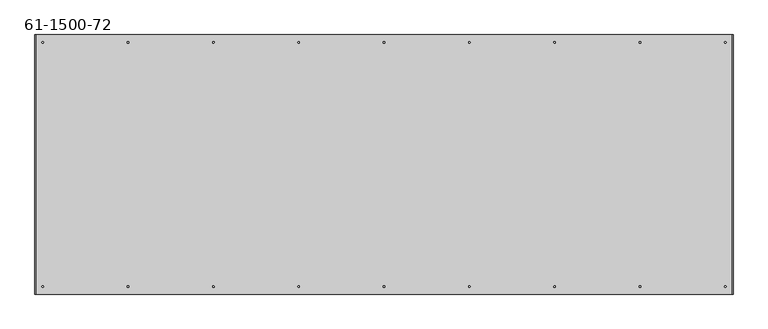
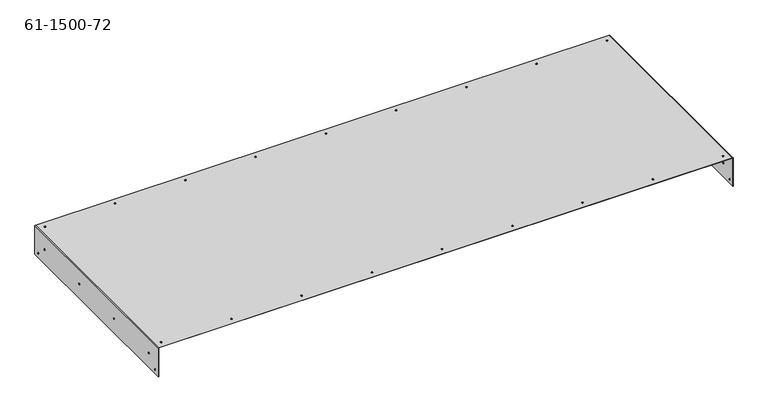
"""IFC4 building model written with IfcOpenShell, lengths in millimetres: proxy geometry, 61-1500-72."""

import ifcopenshell
import ifcopenshell.guid

model = None  # the IFC model being written
_history = None  # IfcOwnerHistory: only IFC2X3 demands one
_inside = {}  # id of a spatial element -> (the spatial element, [elements in it])
_under = {}  # id of a project, library or spatial element -> (it, [spatial elements below it])
_declared = {}  # id of a project -> (the project, [libraries it declares])
_typed = {}  # id of a type object -> (the type object, [elements of that type])
_made_of = {}  # id of a material, layer set ... -> (it, [elements and type objects made of it])


def new_model(schema):
    """Start an empty IFC model of exactly this schema.

    Asked for "IFC4X3", IfcOpenShell would pick the latest addendum, in which some entities
    have other attributes; the version numbers below select the first issue.
    IFC2X3 requires an IfcOwnerHistory on every rooted entity: one is made here for all.
    """
    global model, _history
    if schema == "IFC4X3":
        model = ifcopenshell.file(schema_version=(4, 3, 0, 0))
    else:
        model = ifcopenshell.file(schema=schema)
    _inside.clear()
    _under.clear()
    _declared.clear()
    _typed.clear()
    _made_of.clear()
    _history = None
    if model.schema == "IFC2X3":
        org = make("IfcOrganization", Name="unknown")
        user = make(
            "IfcPersonAndOrganization",
            ThePerson=make("IfcPerson", FamilyName="unknown"),
            TheOrganization=org,
        )
        app = make(
            "IfcApplication",
            ApplicationDeveloper=org,
            Version="unknown",
            ApplicationFullName="unknown",
            ApplicationIdentifier="unknown",
        )
        _history = make(
            "IfcOwnerHistory",
            OwningUser=user,
            OwningApplication=app,
            ChangeAction="ADDED",
            CreationDate=0,
        )
    return model


def make(cls, **values):
    """One entity of the class cls with the attributes given. An attribute that is None is left unset."""
    return model.create_entity(
        cls, **{name: value for name, value in values.items() if value is not None}
    )


def rooted(cls, **values):
    """An entity with a GlobalId (a new one), such as an element, a storey or a relation."""
    return make(cls, GlobalId=ifcopenshell.guid.new(), OwnerHistory=_history, **values)


def si_unit(unit_type, name, prefix=None):
    """IfcSIUnit, for example si_unit("LENGTHUNIT", "METRE", prefix="MILLI")."""
    return make("IfcSIUnit", UnitType=unit_type, Prefix=prefix, Name=name)


def assignment(units):
    """IfcUnitAssignment: the units of a project."""
    return None if units is None else make("IfcUnitAssignment", Units=units)


def point(xyz):
    """IfcCartesianPoint."""
    return None if xyz is None else make("IfcCartesianPoint", Coordinates=xyz)


def direction(xyz):
    """IfcDirection."""
    return None if xyz is None else make("IfcDirection", DirectionRatios=xyz)


def frame(location, z_axis=None, x_axis=None):
    """IfcAxis2Placement3D, a coordinate frame: its origin and axes. An axis left out is left unset."""
    return make(
        "IfcAxis2Placement3D",
        Location=point(location),
        Axis=direction(z_axis),
        RefDirection=direction(x_axis),
    )


def origin():
    """The frame at (0, 0, 0) with its axes left unset."""
    return frame((0.0, 0.0, 0.0))


def place(relative_to, where):
    """IfcLocalPlacement: puts the frame where relative to a parent placement (None: the world)."""
    return make(
        "IfcLocalPlacement", PlacementRelTo=relative_to, RelativePlacement=where
    )


def context(
    kind, dimensions, precision=None, world=None, true_north=None, identifier=None
):
    """IfcGeometricRepresentationContext, for example the 3D "Model" context."""
    return make(
        "IfcGeometricRepresentationContext",
        ContextIdentifier=identifier,
        ContextType=kind,
        CoordinateSpaceDimension=dimensions,
        Precision=precision,
        WorldCoordinateSystem=world,
        TrueNorth=true_north,
    )


def project(units=None, contexts=None):
    """IfcProject with its units and contexts."""
    return rooted(
        "IfcProject",
        Name="project",
        RepresentationContexts=contexts,
        UnitsInContext=assignment(units),
    )


def spatial(cls, under=None, at=None, **own):
    """A site, building, storey or space (cls), placed at a placement, below another one or the project."""
    s = rooted(cls, ObjectPlacement=at, **own)
    if under is not None:
        _under.setdefault(under.id(), (under, []))[1].append(s)
    return s


def polyline(points):
    """IfcPolyline through the points."""
    return make("IfcPolyline", Points=[point(p) for p in points])


def circle_curve(where, radius):
    """IfcCircle in the frame where."""
    return make("IfcCircle", Position=where, Radius=radius)


def shape(context_of_items, identifier, shape_type, items):
    """IfcShapeRepresentation: the items that make up one representation, for example the "Body"."""
    return make(
        "IfcShapeRepresentation",
        ContextOfItems=context_of_items,
        RepresentationIdentifier=identifier,
        RepresentationType=shape_type,
        Items=items,
    )


def source(mapping_origin, context_of_items, identifier, shape_type, items):
    """IfcRepresentationMap: a shape defined once, which mapped items show again and again."""
    return make(
        "IfcRepresentationMap",
        MappingOrigin=mapping_origin,
        MappedRepresentation=shape(context_of_items, identifier, shape_type, items),
    )


def transform(
    local_origin,
    x_axis=None,
    y_axis=None,
    z_axis=None,
    scale=None,
    scale2=None,
    scale3=None,
    uniform=True,
):
    """IfcCartesianTransformationOperator3D, or its non-uniform kind. x_axis, y_axis, z_axis: its Axis1, 2, 3."""
    if uniform:
        return make(
            "IfcCartesianTransformationOperator3D",
            Axis1=direction(x_axis),
            Axis2=direction(y_axis),
            LocalOrigin=point(local_origin),
            Scale=scale,
            Axis3=direction(z_axis),
        )
    return make(
        "IfcCartesianTransformationOperator3DnonUniform",
        Axis1=direction(x_axis),
        Axis2=direction(y_axis),
        LocalOrigin=point(local_origin),
        Scale=scale,
        Axis3=direction(z_axis),
        Scale2=scale2,
        Scale3=scale3,
    )


def mapped(mapping_source, mapping_target):
    """IfcMappedItem: shows the shape of a source again, moved by a transform."""
    return make(
        "IfcMappedItem", MappingSource=mapping_source, MappingTarget=mapping_target
    )


def made_of(thing, what):
    """Note that an element or type object is made of a material, layer set ...; save() writes the relation."""
    if what is not None:
        _made_of.setdefault(what.id(), (what, []))[1].append(thing)
    return thing


def element(
    cls,
    number,
    at=None,
    inside=None,
    cuts=None,
    type_object=None,
    material=None,
    context=None,
    identifier="Body",
    shape_type=None,
    held_by="IfcProductDefinitionShape",
    body=None,
    shapes=None,
    **own,
):
    """One element of the class cls, such as IfcWall. Its Tag is "e" and its number.

    at: its placement. inside: the storey or other place that contains it. cuts: it is an
    opening in that element (IfcRelVoidsElement). A single representation is given by context,
    identifier, shape_type and body (its items); several are given by shapes. held_by: the class
    of the entity that holds the representations. save() writes the other relations.
    """
    e = rooted(cls, Tag="e%d" % number, ObjectPlacement=at, **own)
    if body is not None:
        shapes = [shape(context, identifier, shape_type, body)]
    if shapes is not None:
        e.Representation = make(held_by, Representations=shapes)
    if inside is not None:
        _inside.setdefault(inside.id(), (inside, []))[1].append(e)
    if cuts is not None:
        rooted(
            "IfcRelVoidsElement", RelatingBuildingElement=cuts, RelatedOpeningElement=e
        )
    if type_object is not None:
        _typed.setdefault(type_object.id(), (type_object, []))[1].append(e)
    return made_of(e, material)


def aggregate(whole, parts):
    """IfcRelAggregates: a whole, such as a stair, and the parts it consists of."""
    return rooted("IfcRelAggregates", RelatingObject=whole, RelatedObjects=parts)


def save(model, path):
    """Write the relations noted so far, then the file.

    IfcRelAggregates (storeys below a building ...), IfcRelContainedInSpatialStructure (elements
    in a storey), IfcRelDefinesByType, IfcRelAssociatesMaterial and IfcRelDeclares: one each for
    every whole, place, type object, material and project.
    """
    for whole, parts in _under.values():
        aggregate(whole, parts)
    for where, things in _inside.values():
        rooted(
            "IfcRelContainedInSpatialStructure",
            RelatedElements=things,
            RelatingStructure=where,
        )
    for kind, things in _typed.values():
        rooted("IfcRelDefinesByType", RelatedObjects=things, RelatingType=kind)
    for what, things in _made_of.values():
        rooted("IfcRelAssociatesMaterial", RelatedObjects=things, RelatingMaterial=what)
    for by, libraries in _declared.values():
        rooted("IfcRelDeclares", RelatingContext=by, RelatedDefinitions=libraries)
    model.write(path)


def plane_surface(at):
    """IfcPlane: the flat surface through the origin of the frame at, square to its z axis."""
    return make("IfcPlane", Position=at)


def cylinder_surface(at, radius):
    """IfcCylindricalSurface: all points at the distance radius from the z axis of the frame at."""
    return make("IfcCylindricalSurface", Position=at, Radius=radius)


def revolved_surface(curve, axis_point, axis_direction):
    """IfcSurfaceOfRevolution: the curve turned about the line through axis_point along axis_direction."""
    return make(
        "IfcSurfaceOfRevolution",
        SweptCurve=make("IfcArbitraryOpenProfileDef", ProfileType="CURVE", Curve=curve),
        AxisPosition=make("IfcAxis1Placement", Location=point(axis_point), Axis=direction(axis_direction)),
    )


def advanced_brep(points, edges, surfaces, faces):
    """IfcAdvancedBrep: a solid bounded by faces that lie on surfaces and meet in shared edges.

    An edge is (start, end): straight between two places in points (the first is 0);
    or (start, end, curve); or (start, end, curve, False) where it runs against its curve.
    A face is (place in surfaces, loops), or (place, loops, False) where it looks against
    its surface's normal. A loop lists edges by number (the first is 1), with a minus sign
    where the edge is run from its end to its start. The first loop is the outer one.
    """
    corners = [point(p) for p in points]
    vertices = [make("IfcVertexPoint", VertexGeometry=c) for c in corners]
    made = []
    for start, end, *more in edges:
        made.append(
            make(
                "IfcEdgeCurve",
                EdgeStart=vertices[start],
                EdgeEnd=vertices[end],
                EdgeGeometry=more[0] if more else make("IfcPolyline", Points=[corners[start], corners[end]]),
                SameSense=more[1] if len(more) > 1 else True,
            )
        )
    hull = []
    for where, loops, *sense in faces:
        bounds = []
        for j, loop in enumerate(loops):
            ring = [make("IfcOrientedEdge", EdgeElement=made[abs(k) - 1], Orientation=k > 0) for k in loop]
            bounds.append(
                make(
                    "IfcFaceOuterBound" if j == 0 else "IfcFaceBound",
                    Bound=make("IfcEdgeLoop", EdgeList=ring),
                    Orientation=True,
                )
            )
        hull.append(make("IfcAdvancedFace", Bounds=bounds, FaceSurface=surfaces[where], SameSense=sense[0] if sense else True))
    return make("IfcAdvancedBrep", Outer=make("IfcClosedShell", CfsFaces=hull))


def proxy_61_1500_72_496c5f3e(model_context):
    return source(origin(), model_context, "Body", "AdvancedBrep", [
        advanced_brep(
        [(17.07388, -15.63624, 0.0), (17.07388, -15.63624, 0.85344), (13.64488, -15.63624, 0.85344), (13.64488, -15.63624, 0.0), (194.87388, -15.63624, 0.0), (194.87388, -15.63624, 0.85344), (191.44488, -15.63624, 0.85344), (191.44488, -15.63624, 0.0), (372.67388, -15.63624, 0.0), (372.67388, -15.63624, 0.85344), (369.24488, -15.63624, 0.85344), (369.24488, -15.63624, 0.0), (550.47388, -15.63624, 0.0), (550.47388, -15.63624, 0.85344), (547.04488, -15.63624, 0.85344), (547.04488, -15.63624, 0.0), (728.27388, -15.63624, 0.0), (728.27388, -15.63624, 0.85344), (724.84488, -15.63624, 0.85344), (724.84488, -15.63624, 0.0), (906.07388, -15.63624, 0.0), (906.07388, -15.63624, 0.85344), (902.64488, -15.63624, 0.85344), (902.64488, -15.63624, 0.0), (1083.87388, -15.63624, 0.0), (1083.87388, -15.63624, 0.85344), (1080.44488, -15.63624, 0.85344), (1080.44488, -15.63624, 0.0), (1261.67388, -15.63624, 0.0), (1261.67388, -15.63624, 0.85344), (1258.24488, -15.63624, 0.85344), (1258.24488, -15.63624, 0.0), (1439.47388, -15.63624, 0.0), (1439.47388, -15.63624, 0.85344), (1436.04488, -15.63624, 0.85344), (1436.04488, -15.63624, 0.0), (1439.47388, -525.34312, 0.0), (1439.47388, -525.34312, 0.85344), (1436.04488, -525.34312, 0.85344), (1436.04488, -525.34312, 0.0), (1261.67388, -525.34312, 0.0), (1261.67388, -525.34312, 0.85344), (1258.24488, -525.34312, 0.85344), (1258.24488, -525.34312, 0.0), (1083.87388, -525.34312, 0.0), (1083.87388, -525.34312, 0.85344), (1080.44488, -525.34312, 0.85344), (1080.44488, -525.34312, 0.0), (906.07388, -525.34312, 0.0), (906.07388, -525.34312, 0.85344), (902.64488, -525.34312, 0.85344), (902.64488, -525.34312, 0.0), (728.27388, -525.34312, 0.0), (728.27388, -525.34312, 0.85344), (724.84488, -525.34312, 0.85344), (724.84488, -525.34312, 0.0), (550.47388, -525.34312, 0.0), (550.47388, -525.34312, 0.85344), (547.04488, -525.34312, 0.85344), (547.04488, -525.34312, 0.0), (372.67388, -525.34312, 0.0), (372.67388, -525.34312, 0.85344), (369.24488, -525.34312, 0.85344), (369.24488, -525.34312, 0.0), (194.87388, -525.34312, 0.0), (194.87388, -525.34312, 0.85344), (191.44488, -525.34312, 0.85344), (191.44488, -525.34312, 0.0), (17.07388, -525.34312, 0.0), (17.07388, -525.34312, 0.85344), (13.64488, -525.34312, 0.85344), (13.64488, -525.34312, 0.0), (-0.85344, -41.88968, -40.28948), (0.0, -41.88968, -40.28948), (0.0, -41.88968, -36.86048), (-0.85344, -41.88968, -36.86048), (1453.11876, -41.88968, -40.28948), (1453.9722, -41.88968, -40.28948), (1453.9722, -41.88968, -36.86048), (1453.11876, -41.88968, -36.86048), (-0.85344, -346.68968, -40.28948), (0.0, -346.68968, -40.28948), (0.0, -346.68968, -36.86048), (-0.85344, -346.68968, -36.86048), (1453.11876, -346.68968, -40.28948), (1453.9722, -346.68968, -40.28948), (1453.9722, -346.68968, -36.86048), (1453.11876, -346.68968, -36.86048), (-0.85344, -499.08968, -40.28948), (0.0, -499.08968, -40.28948), (0.0, -499.08968, -36.86048), (-0.85344, -499.08968, -36.86048), (1453.11876, -499.08968, -40.28948), (1453.9722, -499.08968, -40.28948), (1453.9722, -499.08968, -36.86048), (1453.11876, -499.08968, -36.86048), (-0.85344, -194.28968, -40.28948), (0.0, -194.28968, -40.28948), (0.0, -194.28968, -36.86048), (-0.85344, -194.28968, -36.86048), (1453.11876, -194.28968, -40.28948), (1453.9722, -194.28968, -40.28948), (1453.9722, -194.28968, -36.86048), (1453.11876, -194.28968, -36.86048), (-0.85344, -14.16812, -67.39636), (0.0, -14.16812, -67.39636), (0.0, -14.16812, -63.96736), (-0.85344, -14.16812, -63.96736), (1453.11876, -14.16812, -67.39636), (1453.9722, -14.16812, -67.39636), (1453.9722, -14.16812, -63.96736), (1453.11876, -14.16812, -63.96736), (-0.85344, -526.81124, -67.39636), (0.0, -526.81124, -67.39636), (0.0, -526.81124, -63.96736), (-0.85344, -526.81124, -63.96736), (1453.11876, -526.81124, -67.39636), (1453.9722, -526.81124, -67.39636), (1453.9722, -526.81124, -63.96736), (1453.11876, -526.81124, -63.96736), (1453.9722, -540.97936, -0.85344), (1453.9722, 0.0, -0.85344), (1452.26532, 0.0, 0.85344), (1452.26532, -540.97936, 0.85344), (1453.11876, 0.0, -0.85344), (1453.11876, -540.97936, -0.85344), (1452.26532, -540.97936, 0.0), (1452.26532, 0.0, 0.0), (0.85344, -540.97936, 0.0), (0.85344, 0.0, 0.0), (-0.85344, 0.0, -0.85344), (-0.85344, -540.97936, -0.85344), (0.85344, -540.97936, 0.85344), (0.85344, 0.0, 0.85344), (0.0, -540.97936, -0.85344), (0.0, 0.0, -0.85344), (0.0, -540.97936, -76.2), (0.0, 0.0, -76.2), (-0.85344, -540.97936, -76.2), (-0.85344, 0.0, -76.2), (1453.11876, -540.97936, -76.2), (1453.9722, -540.97936, -76.2), (1453.11876, 0.0, -76.2), (1453.9722, 0.0, -76.2)],
        [
            (0, 1),
            (1, 2, circle_curve(frame((15.35938, -15.63624, 0.85344), z_axis=(0.0, 0.0, 1.0), x_axis=(1.0, 0.0, 0.0)), 1.7145)),
            (2, 3),
            (3, 0, circle_curve(frame((15.35938, -15.63624, 0.0), z_axis=(0.0, 0.0, -1.0), x_axis=(1.0, 0.0, 0.0)), 1.7145)),
            (4, 5),
            (5, 6, circle_curve(frame((193.15938, -15.63624, 0.85344), z_axis=(0.0, 0.0, 1.0), x_axis=(1.0, 0.0, 0.0)), 1.7145)),
            (6, 7),
            (7, 4, circle_curve(frame((193.15938, -15.63624, 0.0), z_axis=(0.0, 0.0, -1.0), x_axis=(1.0, 0.0, 0.0)), 1.7145)),
            (8, 9),
            (9, 10, circle_curve(frame((370.95938, -15.63624, 0.85344), z_axis=(0.0, 0.0, 1.0), x_axis=(1.0, 0.0, 0.0)), 1.7145)),
            (10, 11),
            (11, 8, circle_curve(frame((370.95938, -15.63624, 0.0), z_axis=(0.0, 0.0, -1.0), x_axis=(1.0, 0.0, 0.0)), 1.7145)),
            (12, 13),
            (13, 14, circle_curve(frame((548.75938, -15.63624, 0.85344), z_axis=(0.0, 0.0, 1.0), x_axis=(1.0, 0.0, 0.0)), 1.7145)),
            (14, 15),
            (15, 12, circle_curve(frame((548.75938, -15.63624, 0.0), z_axis=(0.0, 0.0, -1.0), x_axis=(1.0, 0.0, 0.0)), 1.7145)),
            (16, 17),
            (17, 18, circle_curve(frame((726.55938, -15.63624, 0.85344), z_axis=(0.0, 0.0, 1.0), x_axis=(1.0, 0.0, 0.0)), 1.7145)),
            (18, 19),
            (19, 16, circle_curve(frame((726.55938, -15.63624, 0.0), z_axis=(0.0, 0.0, -1.0), x_axis=(1.0, 0.0, 0.0)), 1.7145)),
            (20, 21),
            (21, 22, circle_curve(frame((904.35938, -15.63624, 0.85344), z_axis=(0.0, 0.0, 1.0), x_axis=(1.0, 0.0, 0.0)), 1.7145)),
            (22, 23),
            (23, 20, circle_curve(frame((904.35938, -15.63624, 0.0), z_axis=(0.0, 0.0, -1.0), x_axis=(1.0, 0.0, 0.0)), 1.7145)),
            (24, 25),
            (25, 26, circle_curve(frame((1082.15938, -15.63624, 0.85344), z_axis=(0.0, 0.0, 1.0), x_axis=(1.0, 0.0, 0.0)), 1.7145)),
            (26, 27),
            (27, 24, circle_curve(frame((1082.15938, -15.63624, 0.0), z_axis=(0.0, 0.0, -1.0), x_axis=(1.0, 0.0, 0.0)), 1.7145)),
            (28, 29),
            (29, 30, circle_curve(frame((1259.95938, -15.63624, 0.85344), z_axis=(0.0, 0.0, 1.0), x_axis=(1.0, 0.0, 0.0)), 1.7145)),
            (30, 31),
            (31, 28, circle_curve(frame((1259.95938, -15.63624, 0.0), z_axis=(0.0, 0.0, -1.0), x_axis=(1.0, 0.0, 0.0)), 1.7145)),
            (32, 33),
            (33, 34, circle_curve(frame((1437.75938, -15.63624, 0.85344), z_axis=(0.0, 0.0, 1.0), x_axis=(1.0, 0.0, 0.0)), 1.7145)),
            (34, 35),
            (35, 32, circle_curve(frame((1437.75938, -15.63624, 0.0), z_axis=(0.0, 0.0, -1.0), x_axis=(1.0, 0.0, 0.0)), 1.7145)),
            (36, 37),
            (37, 38, circle_curve(frame((1437.75938, -525.34312, 0.85344), z_axis=(0.0, 0.0, 1.0), x_axis=(1.0, 0.0, 0.0)), 1.7145)),
            (38, 39),
            (39, 36, circle_curve(frame((1437.75938, -525.34312, 0.0), z_axis=(0.0, 0.0, -1.0), x_axis=(1.0, 0.0, 0.0)), 1.7145)),
            (40, 41),
            (41, 42, circle_curve(frame((1259.95938, -525.34312, 0.85344), z_axis=(0.0, 0.0, 1.0), x_axis=(1.0, 0.0, 0.0)), 1.7145)),
            (42, 43),
            (43, 40, circle_curve(frame((1259.95938, -525.34312, 0.0), z_axis=(0.0, 0.0, -1.0), x_axis=(1.0, 0.0, 0.0)), 1.7145)),
            (44, 45),
            (45, 46, circle_curve(frame((1082.15938, -525.34312, 0.85344), z_axis=(0.0, 0.0, 1.0), x_axis=(1.0, 0.0, 0.0)), 1.7145)),
            (46, 47),
            (47, 44, circle_curve(frame((1082.15938, -525.34312, 0.0), z_axis=(0.0, 0.0, -1.0), x_axis=(1.0, 0.0, 0.0)), 1.7145)),
            (48, 49),
            (49, 50, circle_curve(frame((904.35938, -525.34312, 0.85344), z_axis=(0.0, 0.0, 1.0), x_axis=(1.0, 0.0, 0.0)), 1.7145)),
            (50, 51),
            (51, 48, circle_curve(frame((904.35938, -525.34312, 0.0), z_axis=(0.0, 0.0, -1.0), x_axis=(1.0, 0.0, 0.0)), 1.7145)),
            (52, 53),
            (53, 54, circle_curve(frame((726.55938, -525.34312, 0.85344), z_axis=(0.0, 0.0, 1.0), x_axis=(1.0, 0.0, 0.0)), 1.7145)),
            (54, 55),
            (55, 52, circle_curve(frame((726.55938, -525.34312, 0.0), z_axis=(0.0, 0.0, -1.0), x_axis=(1.0, 0.0, 0.0)), 1.7145)),
            (56, 57),
            (57, 58, circle_curve(frame((548.75938, -525.34312, 0.85344), z_axis=(0.0, 0.0, 1.0), x_axis=(1.0, 0.0, 0.0)), 1.7145)),
            (58, 59),
            (59, 56, circle_curve(frame((548.75938, -525.34312, 0.0), z_axis=(0.0, 0.0, -1.0), x_axis=(1.0, 0.0, 0.0)), 1.7145)),
            (60, 61),
            (61, 62, circle_curve(frame((370.95938, -525.34312, 0.85344), z_axis=(0.0, 0.0, 1.0), x_axis=(1.0, 0.0, 0.0)), 1.7145)),
            (62, 63),
            (63, 60, circle_curve(frame((370.95938, -525.34312, 0.0), z_axis=(0.0, 0.0, -1.0), x_axis=(1.0, 0.0, 0.0)), 1.7145)),
            (64, 65),
            (65, 66, circle_curve(frame((193.15938, -525.34312, 0.85344), z_axis=(0.0, 0.0, 1.0), x_axis=(1.0, 0.0, 0.0)), 1.7145)),
            (66, 67),
            (67, 64, circle_curve(frame((193.15938, -525.34312, 0.0), z_axis=(0.0, 0.0, -1.0), x_axis=(1.0, 0.0, 0.0)), 1.7145)),
            (68, 69),
            (69, 70, circle_curve(frame((15.35938, -525.34312, 0.85344), z_axis=(0.0, 0.0, 1.0), x_axis=(1.0, 0.0, 0.0)), 1.7145)),
            (70, 71),
            (71, 68, circle_curve(frame((15.35938, -525.34312, 0.0), z_axis=(0.0, 0.0, -1.0), x_axis=(1.0, 0.0, 0.0)), 1.7145)),
            (72, 73),
            (73, 74, circle_curve(frame((0.0, -41.88968, -38.57498), z_axis=(1.0, 0.0, 0.0), x_axis=(0.0, 0.0, -1.0)), 1.7145)),
            (74, 75),
            (75, 72, circle_curve(frame((-0.85344, -41.88968, -38.57498), z_axis=(-1.0, 0.0, 0.0), x_axis=(0.0, 0.0, -1.0)), 1.7145)),
            (76, 77),
            (77, 78, circle_curve(frame((1453.9722, -41.88968, -38.57498), z_axis=(1.0, 0.0, 0.0), x_axis=(0.0, 0.0, -1.0)), 1.7145)),
            (78, 79),
            (79, 76, circle_curve(frame((1453.11876, -41.88968, -38.57498), z_axis=(-1.0, 0.0, 0.0), x_axis=(0.0, 0.0, -1.0)), 1.7145)),
            (80, 81),
            (81, 82, circle_curve(frame((0.0, -346.68968, -38.57498), z_axis=(1.0, 0.0, 0.0), x_axis=(0.0, 0.0, -1.0)), 1.7145)),
            (82, 83),
            (83, 80, circle_curve(frame((-0.85344, -346.68968, -38.57498), z_axis=(-1.0, 0.0, 0.0), x_axis=(0.0, 0.0, -1.0)), 1.7145)),
            (84, 85),
            (85, 86, circle_curve(frame((1453.9722, -346.68968, -38.57498), z_axis=(1.0, 0.0, 0.0), x_axis=(0.0, 0.0, -1.0)), 1.7145)),
            (86, 87),
            (87, 84, circle_curve(frame((1453.11876, -346.68968, -38.57498), z_axis=(-1.0, 0.0, 0.0), x_axis=(0.0, 0.0, -1.0)), 1.7145)),
            (88, 89),
            (89, 90, circle_curve(frame((0.0, -499.08968, -38.57498), z_axis=(1.0, 0.0, 0.0), x_axis=(0.0, 0.0, -1.0)), 1.7145)),
            (90, 91),
            (91, 88, circle_curve(frame((-0.85344, -499.08968, -38.57498), z_axis=(-1.0, 0.0, 0.0), x_axis=(0.0, 0.0, -1.0)), 1.7145)),
            (92, 93),
            (93, 94, circle_curve(frame((1453.9722, -499.08968, -38.57498), z_axis=(1.0, 0.0, 0.0), x_axis=(0.0, 0.0, -1.0)), 1.7145)),
            (94, 95),
            (95, 92, circle_curve(frame((1453.11876, -499.08968, -38.57498), z_axis=(-1.0, 0.0, 0.0), x_axis=(0.0, 0.0, -1.0)), 1.7145)),
            (96, 97),
            (97, 98, circle_curve(frame((0.0, -194.28968, -38.57498), z_axis=(1.0, 0.0, 0.0), x_axis=(0.0, 0.0, -1.0)), 1.7145)),
            (98, 99),
            (99, 96, circle_curve(frame((-0.85344, -194.28968, -38.57498), z_axis=(-1.0, 0.0, 0.0), x_axis=(0.0, 0.0, -1.0)), 1.7145)),
            (100, 101),
            (101, 102, circle_curve(frame((1453.9722, -194.28968, -38.57498), z_axis=(1.0, 0.0, 0.0), x_axis=(0.0, 0.0, -1.0)), 1.7145)),
            (102, 103),
            (103, 100, circle_curve(frame((1453.11876, -194.28968, -38.57498), z_axis=(-1.0, 0.0, 0.0), x_axis=(0.0, 0.0, -1.0)), 1.7145)),
            (104, 105),
            (105, 106, circle_curve(frame((0.0, -14.16812, -65.68186), z_axis=(1.0, 0.0, 0.0), x_axis=(0.0, 0.0, -1.0)), 1.7145)),
            (106, 107),
            (107, 104, circle_curve(frame((-0.85344, -14.16812, -65.68186), z_axis=(-1.0, 0.0, 0.0), x_axis=(0.0, 0.0, -1.0)), 1.7145)),
            (108, 109),
            (109, 110, circle_curve(frame((1453.9722, -14.16812, -65.68186), z_axis=(1.0, 0.0, 0.0), x_axis=(0.0, 0.0, -1.0)), 1.7145)),
            (110, 111),
            (111, 108, circle_curve(frame((1453.11876, -14.16812, -65.68186), z_axis=(-1.0, 0.0, 0.0), x_axis=(0.0, 0.0, -1.0)), 1.7145)),
            (112, 113),
            (113, 114, circle_curve(frame((0.0, -526.81124, -65.68186), z_axis=(1.0, 0.0, 0.0), x_axis=(0.0, 0.0, -1.0)), 1.7145)),
            (114, 115),
            (115, 112, circle_curve(frame((-0.85344, -526.81124, -65.68186), z_axis=(-1.0, 0.0, 0.0), x_axis=(0.0, 0.0, -1.0)), 1.7145)),
            (116, 117),
            (117, 118, circle_curve(frame((1453.9722, -526.81124, -65.68186), z_axis=(1.0, 0.0, 0.0), x_axis=(0.0, 0.0, -1.0)), 1.7145)),
            (118, 119),
            (119, 116, circle_curve(frame((1453.11876, -526.81124, -65.68186), z_axis=(-1.0, 0.0, 0.0), x_axis=(0.0, 0.0, -1.0)), 1.7145)),
            (116, 119, circle_curve(frame((1453.11876, -526.81124, -65.68186), z_axis=(-1.0, 0.0, 0.0), x_axis=(0.0, 0.0, -1.0)), 1.7145)),
            (118, 117, circle_curve(frame((1453.9722, -526.81124, -65.68186), z_axis=(1.0, 0.0, 0.0), x_axis=(0.0, 0.0, -1.0)), 1.7145)),
            (112, 115, circle_curve(frame((-0.85344, -526.81124, -65.68186), z_axis=(-1.0, 0.0, 0.0), x_axis=(0.0, 0.0, -1.0)), 1.7145)),
            (114, 113, circle_curve(frame((0.0, -526.81124, -65.68186), z_axis=(1.0, 0.0, 0.0), x_axis=(0.0, 0.0, -1.0)), 1.7145)),
            (108, 111, circle_curve(frame((1453.11876, -14.16812, -65.68186), z_axis=(-1.0, 0.0, 0.0), x_axis=(0.0, 0.0, -1.0)), 1.7145)),
            (110, 109, circle_curve(frame((1453.9722, -14.16812, -65.68186), z_axis=(1.0, 0.0, 0.0), x_axis=(0.0, 0.0, -1.0)), 1.7145)),
            (104, 107, circle_curve(frame((-0.85344, -14.16812, -65.68186), z_axis=(-1.0, 0.0, 0.0), x_axis=(0.0, 0.0, -1.0)), 1.7145)),
            (106, 105, circle_curve(frame((0.0, -14.16812, -65.68186), z_axis=(1.0, 0.0, 0.0), x_axis=(0.0, 0.0, -1.0)), 1.7145)),
            (100, 103, circle_curve(frame((1453.11876, -194.28968, -38.57498), z_axis=(-1.0, 0.0, 0.0), x_axis=(0.0, 0.0, -1.0)), 1.7145)),
            (102, 101, circle_curve(frame((1453.9722, -194.28968, -38.57498), z_axis=(1.0, 0.0, 0.0), x_axis=(0.0, 0.0, -1.0)), 1.7145)),
            (96, 99, circle_curve(frame((-0.85344, -194.28968, -38.57498), z_axis=(-1.0, 0.0, 0.0), x_axis=(0.0, 0.0, -1.0)), 1.7145)),
            (98, 97, circle_curve(frame((0.0, -194.28968, -38.57498), z_axis=(1.0, 0.0, 0.0), x_axis=(0.0, 0.0, -1.0)), 1.7145)),
            (92, 95, circle_curve(frame((1453.11876, -499.08968, -38.57498), z_axis=(-1.0, 0.0, 0.0), x_axis=(0.0, 0.0, -1.0)), 1.7145)),
            (94, 93, circle_curve(frame((1453.9722, -499.08968, -38.57498), z_axis=(1.0, 0.0, 0.0), x_axis=(0.0, 0.0, -1.0)), 1.7145)),
            (88, 91, circle_curve(frame((-0.85344, -499.08968, -38.57498), z_axis=(-1.0, 0.0, 0.0), x_axis=(0.0, 0.0, -1.0)), 1.7145)),
            (90, 89, circle_curve(frame((0.0, -499.08968, -38.57498), z_axis=(1.0, 0.0, 0.0), x_axis=(0.0, 0.0, -1.0)), 1.7145)),
            (84, 87, circle_curve(frame((1453.11876, -346.68968, -38.57498), z_axis=(-1.0, 0.0, 0.0), x_axis=(0.0, 0.0, -1.0)), 1.7145)),
            (86, 85, circle_curve(frame((1453.9722, -346.68968, -38.57498), z_axis=(1.0, 0.0, 0.0), x_axis=(0.0, 0.0, -1.0)), 1.7145)),
            (80, 83, circle_curve(frame((-0.85344, -346.68968, -38.57498), z_axis=(-1.0, 0.0, 0.0), x_axis=(0.0, 0.0, -1.0)), 1.7145)),
            (82, 81, circle_curve(frame((0.0, -346.68968, -38.57498), z_axis=(1.0, 0.0, 0.0), x_axis=(0.0, 0.0, -1.0)), 1.7145)),
            (76, 79, circle_curve(frame((1453.11876, -41.88968, -38.57498), z_axis=(-1.0, 0.0, 0.0), x_axis=(0.0, 0.0, -1.0)), 1.7145)),
            (78, 77, circle_curve(frame((1453.9722, -41.88968, -38.57498), z_axis=(1.0, 0.0, 0.0), x_axis=(0.0, 0.0, -1.0)), 1.7145)),
            (72, 75, circle_curve(frame((-0.85344, -41.88968, -38.57498), z_axis=(-1.0, 0.0, 0.0), x_axis=(0.0, 0.0, -1.0)), 1.7145)),
            (74, 73, circle_curve(frame((0.0, -41.88968, -38.57498), z_axis=(1.0, 0.0, 0.0), x_axis=(0.0, 0.0, -1.0)), 1.7145)),
            (68, 71, circle_curve(frame((15.35938, -525.34312, 0.0), z_axis=(0.0, 0.0, -1.0), x_axis=(1.0, 0.0, 0.0)), 1.7145)),
            (70, 69, circle_curve(frame((15.35938, -525.34312, 0.85344), z_axis=(0.0, 0.0, 1.0), x_axis=(1.0, 0.0, 0.0)), 1.7145)),
            (64, 67, circle_curve(frame((193.15938, -525.34312, 0.0), z_axis=(0.0, 0.0, -1.0), x_axis=(1.0, 0.0, 0.0)), 1.7145)),
            (66, 65, circle_curve(frame((193.15938, -525.34312, 0.85344), z_axis=(0.0, 0.0, 1.0), x_axis=(1.0, 0.0, 0.0)), 1.7145)),
            (60, 63, circle_curve(frame((370.95938, -525.34312, 0.0), z_axis=(0.0, 0.0, -1.0), x_axis=(1.0, 0.0, 0.0)), 1.7145)),
            (62, 61, circle_curve(frame((370.95938, -525.34312, 0.85344), z_axis=(0.0, 0.0, 1.0), x_axis=(1.0, 0.0, 0.0)), 1.7145)),
            (56, 59, circle_curve(frame((548.75938, -525.34312, 0.0), z_axis=(0.0, 0.0, -1.0), x_axis=(1.0, 0.0, 0.0)), 1.7145)),
            (58, 57, circle_curve(frame((548.75938, -525.34312, 0.85344), z_axis=(0.0, 0.0, 1.0), x_axis=(1.0, 0.0, 0.0)), 1.7145)),
            (52, 55, circle_curve(frame((726.55938, -525.34312, 0.0), z_axis=(0.0, 0.0, -1.0), x_axis=(1.0, 0.0, 0.0)), 1.7145)),
            (54, 53, circle_curve(frame((726.55938, -525.34312, 0.85344), z_axis=(0.0, 0.0, 1.0), x_axis=(1.0, 0.0, 0.0)), 1.7145)),
            (48, 51, circle_curve(frame((904.35938, -525.34312, 0.0), z_axis=(0.0, 0.0, -1.0), x_axis=(1.0, 0.0, 0.0)), 1.7145)),
            (50, 49, circle_curve(frame((904.35938, -525.34312, 0.85344), z_axis=(0.0, 0.0, 1.0), x_axis=(1.0, 0.0, 0.0)), 1.7145)),
            (44, 47, circle_curve(frame((1082.15938, -525.34312, 0.0), z_axis=(0.0, 0.0, -1.0), x_axis=(1.0, 0.0, 0.0)), 1.7145)),
            (46, 45, circle_curve(frame((1082.15938, -525.34312, 0.85344), z_axis=(0.0, 0.0, 1.0), x_axis=(1.0, 0.0, 0.0)), 1.7145)),
            (40, 43, circle_curve(frame((1259.95938, -525.34312, 0.0), z_axis=(0.0, 0.0, -1.0), x_axis=(1.0, 0.0, 0.0)), 1.7145)),
            (42, 41, circle_curve(frame((1259.95938, -525.34312, 0.85344), z_axis=(0.0, 0.0, 1.0), x_axis=(1.0, 0.0, 0.0)), 1.7145)),
            (36, 39, circle_curve(frame((1437.75938, -525.34312, 0.0), z_axis=(0.0, 0.0, -1.0), x_axis=(1.0, 0.0, 0.0)), 1.7145)),
            (38, 37, circle_curve(frame((1437.75938, -525.34312, 0.85344), z_axis=(0.0, 0.0, 1.0), x_axis=(1.0, 0.0, 0.0)), 1.7145)),
            (32, 35, circle_curve(frame((1437.75938, -15.63624, 0.0), z_axis=(0.0, 0.0, -1.0), x_axis=(1.0, 0.0, 0.0)), 1.7145)),
            (34, 33, circle_curve(frame((1437.75938, -15.63624, 0.85344), z_axis=(0.0, 0.0, 1.0), x_axis=(1.0, 0.0, 0.0)), 1.7145)),
            (28, 31, circle_curve(frame((1259.95938, -15.63624, 0.0), z_axis=(0.0, 0.0, -1.0), x_axis=(1.0, 0.0, 0.0)), 1.7145)),
            (30, 29, circle_curve(frame((1259.95938, -15.63624, 0.85344), z_axis=(0.0, 0.0, 1.0), x_axis=(1.0, 0.0, 0.0)), 1.7145)),
            (24, 27, circle_curve(frame((1082.15938, -15.63624, 0.0), z_axis=(0.0, 0.0, -1.0), x_axis=(1.0, 0.0, 0.0)), 1.7145)),
            (26, 25, circle_curve(frame((1082.15938, -15.63624, 0.85344), z_axis=(0.0, 0.0, 1.0), x_axis=(1.0, 0.0, 0.0)), 1.7145)),
            (20, 23, circle_curve(frame((904.35938, -15.63624, 0.0), z_axis=(0.0, 0.0, -1.0), x_axis=(1.0, 0.0, 0.0)), 1.7145)),
            (22, 21, circle_curve(frame((904.35938, -15.63624, 0.85344), z_axis=(0.0, 0.0, 1.0), x_axis=(1.0, 0.0, 0.0)), 1.7145)),
            (16, 19, circle_curve(frame((726.55938, -15.63624, 0.0), z_axis=(0.0, 0.0, -1.0), x_axis=(1.0, 0.0, 0.0)), 1.7145)),
            (18, 17, circle_curve(frame((726.55938, -15.63624, 0.85344), z_axis=(0.0, 0.0, 1.0), x_axis=(1.0, 0.0, 0.0)), 1.7145)),
            (12, 15, circle_curve(frame((548.75938, -15.63624, 0.0), z_axis=(0.0, 0.0, -1.0), x_axis=(1.0, 0.0, 0.0)), 1.7145)),
            (14, 13, circle_curve(frame((548.75938, -15.63624, 0.85344), z_axis=(0.0, 0.0, 1.0), x_axis=(1.0, 0.0, 0.0)), 1.7145)),
            (8, 11, circle_curve(frame((370.95938, -15.63624, 0.0), z_axis=(0.0, 0.0, -1.0), x_axis=(1.0, 0.0, 0.0)), 1.7145)),
            (10, 9, circle_curve(frame((370.95938, -15.63624, 0.85344), z_axis=(0.0, 0.0, 1.0), x_axis=(1.0, 0.0, 0.0)), 1.7145)),
            (4, 7, circle_curve(frame((193.15938, -15.63624, 0.0), z_axis=(0.0, 0.0, -1.0), x_axis=(1.0, 0.0, 0.0)), 1.7145)),
            (6, 5, circle_curve(frame((193.15938, -15.63624, 0.85344), z_axis=(0.0, 0.0, 1.0), x_axis=(1.0, 0.0, 0.0)), 1.7145)),
            (0, 3, circle_curve(frame((15.35938, -15.63624, 0.0), z_axis=(0.0, 0.0, -1.0), x_axis=(1.0, 0.0, 0.0)), 1.7145)),
            (2, 1, circle_curve(frame((15.35938, -15.63624, 0.85344), z_axis=(0.0, 0.0, 1.0), x_axis=(1.0, 0.0, 0.0)), 1.7145)),
            (120, 121),
            (121, 122, circle_curve(frame((1452.26532, 0.0, -0.85344), z_axis=(0.0, -1.0, 0.0), x_axis=(0.0, 0.0, 1.0)), 1.70688)),
            (122, 123),
            (123, 120, circle_curve(frame((1452.26532, -540.97936, -0.85344), z_axis=(0.0, 1.0, 0.0), x_axis=(0.0, 0.0, 1.0)), 1.70688)),
            (124, 125),
            (125, 126, circle_curve(frame((1452.26532, -540.97936, -0.85344), z_axis=(0.0, -1.0, 0.0), x_axis=(0.0, 0.0, 1.0)), 0.85344)),
            (126, 127),
            (127, 124, circle_curve(frame((1452.26532, 0.0, -0.85344), z_axis=(0.0, 1.0, 0.0), x_axis=(0.0, 0.0, 1.0)), 0.85344)),
            (126, 128),
            (128, 129),
            (129, 127),
            (130, 131),
            (131, 132, circle_curve(frame((0.85344, -540.97936, -0.85344), z_axis=(0.0, 1.0, 0.0), x_axis=(0.0, 0.0, 1.0)), 1.70688)),
            (132, 133),
            (133, 130, circle_curve(frame((0.85344, 0.0, -0.85344), z_axis=(0.0, -1.0, 0.0), x_axis=(0.0, 0.0, 1.0)), 1.70688)),
            (134, 135),
            (135, 129, circle_curve(frame((0.85344, 0.0, -0.85344), z_axis=(0.0, 1.0, 0.0), x_axis=(0.0, 0.0, 1.0)), 0.85344)),
            (128, 134, circle_curve(frame((0.85344, -540.97936, -0.85344), z_axis=(0.0, -1.0, 0.0), x_axis=(0.0, 0.0, 1.0)), 0.85344)),
            (122, 133),
            (132, 123),
            (134, 136),
            (136, 137),
            (137, 135),
            (138, 139),
            (139, 137),
            (136, 138),
            (130, 139),
            (138, 131),
            (125, 140),
            (140, 141),
            (141, 120),
            (124, 142),
            (142, 140),
            (121, 143),
            (143, 142),
            (143, 141),
        ],
        [
            revolved_surface(polyline([(17.07388, -15.63624, 0.8534399999999991), (17.07388, -15.63624, 0.0)]), (15.35938, -15.63624, -8.67156), (0.0, 0.0, 1.0)),
            revolved_surface(polyline([(194.87387999999999, -15.63624, 0.8534399999999991), (194.87387999999999, -15.63624, 0.0)]), (193.15938, -15.63624, -8.67156), (0.0, 0.0, 1.0)),
            revolved_surface(polyline([(372.67388, -15.63624, 0.8534399999999991), (372.67388, -15.63624, 0.0)]), (370.95938, -15.63624, -8.67156), (0.0, 0.0, 1.0)),
            revolved_surface(polyline([(550.47388, -15.63624, 0.8534399999999991), (550.47388, -15.63624, 0.0)]), (548.75938, -15.63624, -8.67156), (0.0, 0.0, 1.0)),
            revolved_surface(polyline([(728.2738800000001, -15.63624, 0.8534399999999991), (728.2738800000001, -15.63624, 0.0)]), (726.55938, -15.63624, -8.67156), (0.0, 0.0, 1.0)),
            revolved_surface(polyline([(906.07388, -15.63624, 0.8534399999999991), (906.07388, -15.63624, 0.0)]), (904.35938, -15.63624, -8.67156), (0.0, 0.0, 1.0)),
            revolved_surface(polyline([(1083.87388, -15.63624, 0.8534399999999991), (1083.87388, -15.63624, 0.0)]), (1082.15938, -15.63624, -8.67156), (0.0, 0.0, 1.0)),
            revolved_surface(polyline([(1261.67388, -15.63624, 0.8534399999999991), (1261.67388, -15.63624, 0.0)]), (1259.95938, -15.63624, -8.67156), (0.0, 0.0, 1.0)),
            revolved_surface(polyline([(1439.47388, -15.63624, 0.8534399999999991), (1439.47388, -15.63624, 0.0)]), (1437.75938, -15.63624, -8.67156), (0.0, 0.0, 1.0)),
            revolved_surface(polyline([(1439.47388, -525.34312, 0.8534399999999991), (1439.47388, -525.34312, 0.0)]), (1437.75938, -525.34312, -8.67156), (0.0, 0.0, 1.0)),
            revolved_surface(polyline([(1261.67388, -525.34312, 0.8534399999999991), (1261.67388, -525.34312, 0.0)]), (1259.95938, -525.34312, -8.67156), (0.0, 0.0, 1.0)),
            revolved_surface(polyline([(1083.87388, -525.34312, 0.8534399999999991), (1083.87388, -525.34312, 0.0)]), (1082.15938, -525.34312, -8.67156), (0.0, 0.0, 1.0)),
            revolved_surface(polyline([(906.07388, -525.34312, 0.8534399999999991), (906.07388, -525.34312, 0.0)]), (904.35938, -525.34312, -8.67156), (0.0, 0.0, 1.0)),
            revolved_surface(polyline([(728.2738800000001, -525.34312, 0.8534399999999991), (728.2738800000001, -525.34312, 0.0)]), (726.55938, -525.34312, -8.67156), (0.0, 0.0, 1.0)),
            revolved_surface(polyline([(550.47388, -525.34312, 0.8534399999999991), (550.47388, -525.34312, 0.0)]), (548.75938, -525.34312, -8.67156), (0.0, 0.0, 1.0)),
            revolved_surface(polyline([(372.67388, -525.34312, 0.8534399999999991), (372.67388, -525.34312, 0.0)]), (370.95938, -525.34312, -8.67156), (0.0, 0.0, 1.0)),
            revolved_surface(polyline([(194.87387999999999, -525.34312, 0.8534399999999991), (194.87387999999999, -525.34312, 0.0)]), (193.15938, -525.34312, -8.67156), (0.0, 0.0, 1.0)),
            revolved_surface(polyline([(17.07388, -525.34312, 0.8534399999999991), (17.07388, -525.34312, 0.0)]), (15.35938, -525.34312, -8.67156), (0.0, 0.0, 1.0)),
            revolved_surface(polyline([(0.0, -41.88968, -40.28948), (-0.8534400000000062, -41.88968, -40.28948)]), (-100.0913583, -41.88968, -38.57498), (1.0, 0.0, 0.0)),
            revolved_surface(polyline([(1453.9722, -41.88968, -40.28948), (1453.11876, -41.88968, -40.28948)]), (-100.0913583, -41.88968, -38.57498), (1.0, 0.0, 0.0)),
            revolved_surface(polyline([(0.0, -346.68968, -40.28948), (-0.8534400000000062, -346.68968, -40.28948)]), (-100.0913583, -346.68968, -38.57498), (1.0, 0.0, 0.0)),
            revolved_surface(polyline([(1453.9722, -346.68968, -40.28948), (1453.11876, -346.68968, -40.28948)]), (-100.0913583, -346.68968, -38.57498), (1.0, 0.0, 0.0)),
            revolved_surface(polyline([(0.0, -499.08968, -40.28948), (-0.8534400000000062, -499.08968, -40.28948)]), (-100.0913583, -499.08968, -38.57498), (1.0, 0.0, 0.0)),
            revolved_surface(polyline([(1453.9722, -499.08968, -40.28948), (1453.11876, -499.08968, -40.28948)]), (-100.0913583, -499.08968, -38.57498), (1.0, 0.0, 0.0)),
            revolved_surface(polyline([(0.0, -194.28968, -40.28948), (-0.8534400000000062, -194.28968, -40.28948)]), (-100.0913583, -194.28968, -38.57498), (1.0, 0.0, 0.0)),
            revolved_surface(polyline([(1453.9722, -194.28968, -40.28948), (1453.11876, -194.28968, -40.28948)]), (-100.0913583, -194.28968, -38.57498), (1.0, 0.0, 0.0)),
            revolved_surface(polyline([(0.0, -14.16812, -67.39636), (-0.8534400000000062, -14.16812, -67.39636)]), (-100.0913583, -14.16812, -65.68186), (1.0, 0.0, 0.0)),
            revolved_surface(polyline([(1453.9722, -14.16812, -67.39636), (1453.11876, -14.16812, -67.39636)]), (-100.0913583, -14.16812, -65.68186), (1.0, 0.0, 0.0)),
            revolved_surface(polyline([(0.0, -526.81124, -67.39636), (-0.8534400000000062, -526.81124, -67.39636)]), (-100.0913583, -526.81124, -65.68186), (1.0, 0.0, 0.0)),
            revolved_surface(polyline([(1453.9722, -526.81124, -67.39636), (1453.11876, -526.81124, -67.39636)]), (-100.0913583, -526.81124, -65.68186), (1.0, 0.0, 0.0)),
            cylinder_surface(frame((1452.26532, -270.48968, -0.85344), z_axis=(0.0, 1.0, 0.0), x_axis=(0.0, 0.0, 1.0)), 1.70688),
            revolved_surface(polyline([(1452.26532, 0.0, 0.0), (1452.26532, -540.97936, 0.0)]), (1452.26532, -270.48968, -0.85344), (0.0, 1.0, 0.0)),
            plane_surface(frame((726.55938, -270.48968, 0.0), z_axis=(0.0, 0.0, -1.0), x_axis=(1.0, 0.0, 0.0))),
            cylinder_surface(frame((0.85344, -270.48968, -0.85344), z_axis=(0.0, -1.0, 0.0), x_axis=(0.0, 0.0, 1.0)), 1.70688),
            revolved_surface(polyline([(0.85344, -540.97936, 0.0), (0.85344, 0.0, 0.0)]), (0.85344, -270.48968, -0.85344), (0.0, -1.0, 0.0)),
            plane_surface(frame((726.55938, -270.48968, 0.85344), z_axis=(0.0, 0.0, 1.0), x_axis=(1.0, 0.0, 0.0))),
            plane_surface(frame((0.0, -270.48968, -37.67328), z_axis=(1.0, 0.0, 0.0), x_axis=(0.0, 0.0, -1.0))),
            plane_surface(frame((0.0, -540.97936, -76.2), z_axis=(0.0, 0.0, -1.0), x_axis=(-1.0, 0.0, 0.0))),
            plane_surface(frame((-0.85344, -270.48968, -37.67328), z_axis=(-1.0, 0.0, 0.0), x_axis=(0.0, 0.0, -1.0))),
            plane_surface(frame((1453.11876, -540.97936, -76.2), z_axis=(0.0, -1.0, 0.0), x_axis=(0.0, 0.0, -1.0))),
            plane_surface(frame((1453.11876, -270.48968, -37.67328), z_axis=(-1.0, 0.0, 0.0), x_axis=(0.0, 0.0, -1.0))),
            plane_surface(frame((1453.11876, 0.0, 0.85344), z_axis=(0.0, 1.0, 0.0), x_axis=(0.0, 0.0, 1.0))),
            plane_surface(frame((1453.11876, 0.0, -76.2), z_axis=(0.0, 0.0, -1.0), x_axis=(-1.0, 0.0, 0.0))),
            plane_surface(frame((1453.9722, -270.48968, -37.67328), z_axis=(1.0, 0.0, 0.0), x_axis=(0.0, 0.0, -1.0))),
        ],
        [
            (0, [[1, 2, 3, 4]]),
            (1, [[5, 6, 7, 8]]),
            (2, [[9, 10, 11, 12]]),
            (3, [[13, 14, 15, 16]]),
            (4, [[17, 18, 19, 20]]),
            (5, [[21, 22, 23, 24]]),
            (6, [[25, 26, 27, 28]]),
            (7, [[29, 30, 31, 32]]),
            (8, [[33, 34, 35, 36]]),
            (9, [[37, 38, 39, 40]]),
            (10, [[41, 42, 43, 44]]),
            (11, [[45, 46, 47, 48]]),
            (12, [[49, 50, 51, 52]]),
            (13, [[53, 54, 55, 56]]),
            (14, [[57, 58, 59, 60]]),
            (15, [[61, 62, 63, 64]]),
            (16, [[65, 66, 67, 68]]),
            (17, [[69, 70, 71, 72]]),
            (18, [[73, 74, 75, 76]]),
            (19, [[77, 78, 79, 80]]),
            (20, [[81, 82, 83, 84]]),
            (21, [[85, 86, 87, 88]]),
            (22, [[89, 90, 91, 92]]),
            (23, [[93, 94, 95, 96]]),
            (24, [[97, 98, 99, 100]]),
            (25, [[101, 102, 103, 104]]),
            (26, [[105, 106, 107, 108]]),
            (27, [[109, 110, 111, 112]]),
            (28, [[113, 114, 115, 116]]),
            (29, [[117, 118, 119, 120]]),
            (29, [[-117, 121, -119, 122]]),
            (28, [[-113, 123, -115, 124]]),
            (27, [[-109, 125, -111, 126]]),
            (26, [[-105, 127, -107, 128]]),
            (25, [[-101, 129, -103, 130]]),
            (24, [[-97, 131, -99, 132]]),
            (23, [[-93, 133, -95, 134]]),
            (22, [[-89, 135, -91, 136]]),
            (21, [[-85, 137, -87, 138]]),
            (20, [[-81, 139, -83, 140]]),
            (19, [[-77, 141, -79, 142]]),
            (18, [[-73, 143, -75, 144]]),
            (17, [[-69, 145, -71, 146]]),
            (16, [[-65, 147, -67, 148]]),
            (15, [[-61, 149, -63, 150]]),
            (14, [[-57, 151, -59, 152]]),
            (13, [[-53, 153, -55, 154]]),
            (12, [[-49, 155, -51, 156]]),
            (11, [[-45, 157, -47, 158]]),
            (10, [[-41, 159, -43, 160]]),
            (9, [[-37, 161, -39, 162]]),
            (8, [[-33, 163, -35, 164]]),
            (7, [[-29, 165, -31, 166]]),
            (6, [[-25, 167, -27, 168]]),
            (5, [[-21, 169, -23, 170]]),
            (4, [[-17, 171, -19, 172]]),
            (3, [[-13, 173, -15, 174]]),
            (2, [[-9, 175, -11, 176]]),
            (1, [[-5, 177, -7, 178]]),
            (0, [[-1, 179, -3, 180]]),
            (30, [[181, 182, 183, 184]]),
            (31, [[185, 186, 187, 188]]),
            (32, [[-187, 189, 190, 191], [-145, -72], [-147, -68], [-149, -64], [-151, -60], [-153, -56], [-155, -52], [-157, -48], [-159, -44], [-161, -40], [-163, -36], [-165, -32], [-167, -28], [-169, -24], [-171, -20], [-173, -16], [-175, -12], [-177, -8], [-179, -4]]),
            (33, [[192, 193, 194, 195]]),
            (34, [[196, 197, -190, 198]]),
            (35, [[-183, 199, -194, 200], [-146, -70], [-148, -66], [-150, -62], [-152, -58], [-154, -54], [-156, -50], [-158, -46], [-160, -42], [-162, -38], [-164, -34], [-166, -30], [-168, -26], [-170, -22], [-172, -18], [-174, -14], [-176, -10], [-178, -6], [-180, -2]]),
            (36, [[-196, 201, 202, 203], [-74, -144], [-82, -140], [-90, -136], [-98, -132], [-106, -128], [-114, -124]]),
            (37, [[204, 205, -202, 206]]),
            (38, [[-192, 207, -204, 208], [-123, -116], [-127, -108], [-131, -100], [-135, -92], [-139, -84], [-143, -76]]),
            (39, [[209, 210, 211, -184, -200, -193, -208, -206, -201, -198, -189, -186]]),
            (40, [[-185, 212, 213, -209], [-121, -120], [-125, -112], [-129, -104], [-133, -96], [-137, -88], [-141, -80]]),
            (41, [[214, 215, -212, -188, -191, -197, -203, -205, -207, -195, -199, -182]]),
            (42, [[216, -210, -213, -215]]),
            (43, [[-181, -211, -216, -214], [-122, -118], [-126, -110], [-130, -102], [-134, -94], [-138, -86], [-142, -78]]),
        ],
    ),
    ])


if __name__ == "__main__":
    model = new_model("IFC4")
    model_context = context("Model", 3, world=origin())
    ifc_project = project(units=[si_unit("LENGTHUNIT", "METRE", prefix="MILLI")], contexts=[model_context])
    site = spatial("IfcSite", under=ifc_project)
    building = spatial("IfcBuilding", under=site)
    placement = place(None, origin())
    proxy_61_1500_72_shape = proxy_61_1500_72_496c5f3e(model_context)
    element("IfcBuildingElementProxy", 1, Name="61-1500-72", ObjectType="61-1500-72", at=placement, inside=building, context=model_context, shape_type="MappedRepresentation", body=[
        mapped(proxy_61_1500_72_shape, transform((0.0, 0.0, 0.0), x_axis=(1.0, 0.0, 0.0), y_axis=(0.0, 1.0, 0.0), z_axis=(0.0, 0.0, 1.0))),
    ])
    save(model, "model.ifc")
